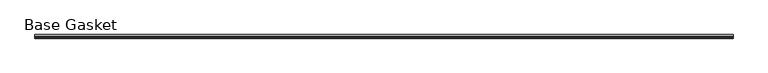
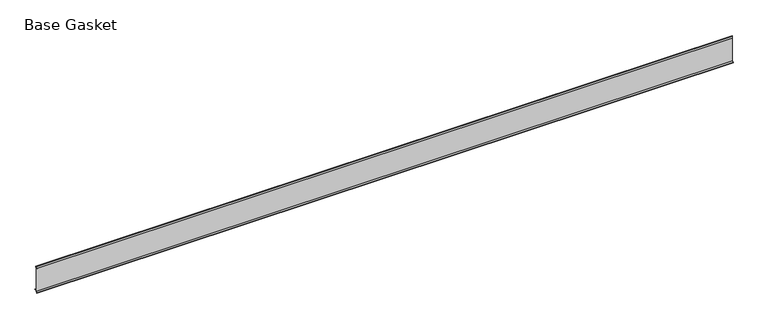
"""IFC4 building model written with IfcOpenShell, lengths in millimetres: furniture geometry, Base Gasket."""

from ifc_helpers import new_model, si_unit, frame, origin, place, context, project, spatial, polyline, outline, extrude, source, transform, mapped, element, save


def base_gasket_6326a77e(model_context):
    return source(origin(), model_context, "Body", "SweptSolid", [
        extrude(outline(polyline([(-3.7283812, 98.4568417), (-1.1891543, 104.587663), (-0.6755308, 105.2002997), (-0.6755308, 104.4162708), (-2.2043812, 98.4568417), (-2.2043812, 96.8693477), (-1.4106313, 96.8693477), (-1.4106313, 71.4693447), (-2.2043812, 71.4693447), (-2.2043812, 7.9398773), (6.2405171, 7.9398773), (6.2405171, 6.3818476), (-2.1334222, 6.3818476), (-2.2043812, 4.3498477), (-6.8281054, 0.3520979), (-7.8482342, 0.0), (-7.4222115, 0.6560174), (-3.7283812, 4.3498477), (-3.7283812, 98.4568417)])), frame((-1527.8982117, 0.0, 0.0), z_axis=(1.0, 0.0, 0.0), x_axis=(0.0, 1.0, 0.0)), (0.0, 0.0, 1.0), 2709.2123757),
    ])


if __name__ == "__main__":
    model = new_model("IFC4")
    model_context = context("Model", 3, world=origin())
    ifc_project = project(units=[si_unit("LENGTHUNIT", "METRE", prefix="MILLI")], contexts=[model_context])
    site = spatial("IfcSite", under=ifc_project)
    building = spatial("IfcBuilding", under=site)
    placement = place(None, origin())
    base_gasket_shape = base_gasket_6326a77e(model_context)
    element("IfcFurniture", 1, ObjectType="Base Gasket", at=placement, inside=building, context=model_context, shape_type="MappedRepresentation", body=[
        mapped(base_gasket_shape, transform((0.0, 0.0, 0.0), x_axis=(1.0, 0.0, 0.0), y_axis=(0.0, 1.0, 0.0), z_axis=(0.0, 0.0, 1.0))),
    ])
    save(model, "model.ifc")
